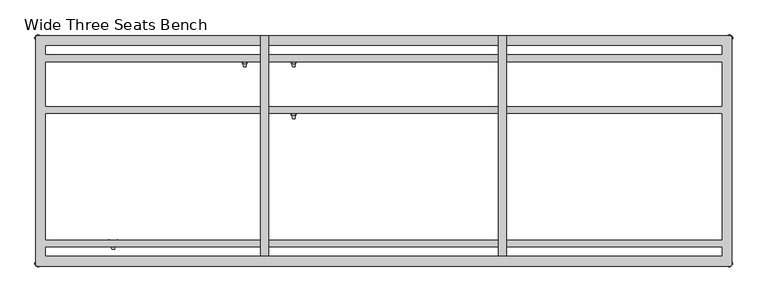
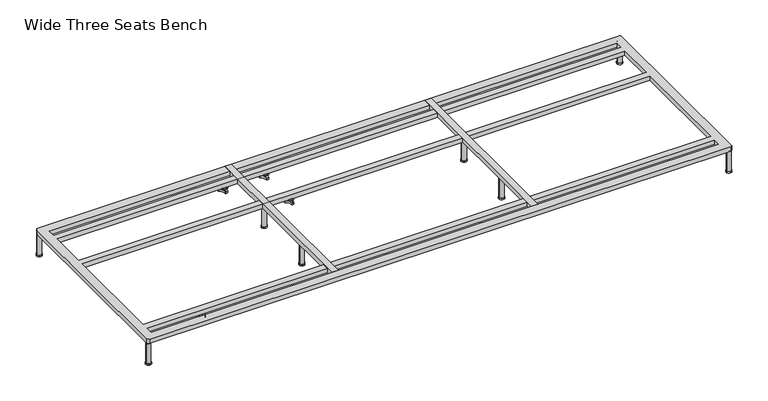
"""IFC4 building model written with IfcOpenShell, lengths in millimetres: furniture geometry, Wide Three Seats Bench."""

from ifc_helpers import new_model, si_unit, point, frame, frame_2d, origin, origin_with_axes, place, context, project, spatial, polyline, circle_curve, trimmed, segment, composite_curve, outline, extrude, source, transform, mapped, element, save
from ifc_brep_helpers import plane_surface, cylinder_surface, revolved_surface, advanced_brep


def wide_three_seats_bench_ba6f2c74(model_context):
    return source(origin(), model_context, "Body", "SolidModel", [
        advanced_brep(
        [(-519.7611937, -130.2721038, 98.611642), (-523.9837819, -137.585841, 98.611642), (-523.585833, -138.7518724, 98.611642), (-507.7665623, -166.1516574, 98.611642), (-506.9557288, -167.0792988, 98.611642), (-498.5105502, -167.0792988, 98.611642), (-497.706022, -165.9895174, 98.611642), (-481.6037689, -138.4877144, 98.611642), (-481.4824919, -137.5858427, 98.611642), (-485.7050818, -130.2721023, 98.611642), (-486.9138653, -130.0337175, 98.611642), (-518.5524137, -130.0337175, 98.611642), (-493.360263, -145.1926245, 98.611642), (-512.2652749, -145.1926245, 98.611642), (-519.7611937, -130.2721038, 88.6531552), (-518.5524137, -130.0337175, 88.6531552), (-486.9138653, -130.0337175, 88.6531552), (-485.7050818, -130.2721023, 88.6531552), (-481.4824919, -137.5858427, 88.6531552), (-481.6037689, -138.4877144, 88.6531552), (-497.706022, -165.9895174, 88.6531552), (-498.5105502, -167.0792988, 88.6531552), (-506.9557288, -167.0792988, 88.6531552), (-507.7665623, -166.1516574, 88.6531552), (-523.585833, -138.7518724, 88.6531552), (-523.9837819, -137.585841, 88.6531552), (-512.2652749, -145.1926245, 103.6569541), (-493.360263, -145.1926245, 103.6569541)],
        [
            (0, 1, circle_curve(frame((-501.5017056, -145.690049, 98.611642), z_axis=(0.0, 0.0, 1.0), x_axis=(1.0, 0.0, 0.0)), 23.8981576)),
            (1, 2, circle_curve(frame((-523.0562233, -137.920202, 98.611642), z_axis=(0.0, 0.0, 1.0), x_axis=(1.0, 0.0, 0.0)), 0.9859828)),
            (2, 3, circle_curve(frame((-541.981203, -167.6389644, 98.611642), z_axis=(0.0, 0.0, -1.0), x_axis=(1.0, 0.0, 0.0)), 34.246952)),
            (3, 4, circle_curve(frame((-506.7815189, -166.1088376, 98.611642), z_axis=(0.0, 0.0, 1.0), x_axis=(1.0, 0.0, 0.0)), 0.9859736)),
            (4, 5, circle_curve(frame((-502.7331395, -143.5567534, 98.611642), z_axis=(0.0, 0.0, 1.0), x_axis=(1.0, 0.0, 0.0)), 23.8985439)),
            (5, 6, circle_curve(frame((-498.6847621, -166.1088262, 98.611642), z_axis=(0.0, 0.0, 1.0), x_axis=(1.0, 0.0, 0.0)), 0.9859852)),
            (6, 7, circle_curve(frame((-463.4843483, -167.5614211, 98.611642), z_axis=(0.0, 0.0, -1.0), x_axis=(1.0, 0.0, 0.0)), 34.2577557)),
            (7, 8, circle_curve(frame((-482.4100533, -137.9202011, 98.611642), z_axis=(0.0, 0.0, 1.0), x_axis=(1.0, 0.0, 0.0)), 0.9859847)),
            (8, 9, circle_curve(frame((-503.9641822, -145.6898258, 98.611642), z_axis=(0.0, 0.0, 1.0), x_axis=(1.0, 0.0, 0.0)), 23.8977184)),
            (9, 10, circle_curve(frame((-486.4584281, -130.9082171, 98.611642), z_axis=(0.0, 0.0, 1.0), x_axis=(1.0, 0.0, 0.0)), 0.9859881)),
            (10, 11, circle_curve(frame((-502.7331395, -99.6586209, 98.611642), z_axis=(0.0, 0.0, -1.0), x_axis=(1.0, 0.0, 0.0)), 34.2475683)),
            (11, 0, circle_curve(frame((-519.0078488, -130.9082131, 98.611642), z_axis=(0.0, 0.0, 1.0), x_axis=(1.0, 0.0, 0.0)), 0.9859835)),
            (12, 13, circle_curve(frame((-502.8127689, -145.1926245, 98.611642), z_axis=(0.0, 0.0, -1.0), x_axis=(1.0, 0.0, 0.0)), 9.452506)),
            (13, 12, circle_curve(frame((-502.8127689, -145.1926245, 98.611642), z_axis=(0.0, 0.0, -1.0), x_axis=(1.0, 0.0, 0.0)), 9.452506)),
            (14, 15, circle_curve(frame((-519.0078488, -130.9082131, 88.6531552), z_axis=(0.0, 0.0, -1.0), x_axis=(1.0, 0.0, 0.0)), 0.9859835)),
            (15, 16, circle_curve(frame((-502.7331395, -99.6586209, 88.6531552), z_axis=(0.0, 0.0, 1.0), x_axis=(1.0, 0.0, 0.0)), 34.2475683)),
            (16, 17, circle_curve(frame((-486.4584281, -130.9082171, 88.6531552), z_axis=(0.0, 0.0, -1.0), x_axis=(1.0, 0.0, 0.0)), 0.9859881)),
            (17, 18, circle_curve(frame((-503.9641822, -145.6898258, 88.6531552), z_axis=(0.0, 0.0, -1.0), x_axis=(1.0, 0.0, 0.0)), 23.8977184)),
            (18, 19, circle_curve(frame((-482.4100533, -137.9202011, 88.6531552), z_axis=(0.0, 0.0, -1.0), x_axis=(1.0, 0.0, 0.0)), 0.9859847)),
            (19, 20, circle_curve(frame((-463.4843483, -167.5614211, 88.6531552), z_axis=(0.0, 0.0, 1.0), x_axis=(1.0, 0.0, 0.0)), 34.2577557)),
            (20, 21, circle_curve(frame((-498.6847621, -166.1088262, 88.6531552), z_axis=(0.0, 0.0, -1.0), x_axis=(1.0, 0.0, 0.0)), 0.9859852)),
            (21, 22, circle_curve(frame((-502.7331395, -143.5567534, 88.6531552), z_axis=(0.0, 0.0, -1.0), x_axis=(1.0, 0.0, 0.0)), 23.8985439)),
            (22, 23, circle_curve(frame((-506.7815189, -166.1088376, 88.6531552), z_axis=(0.0, 0.0, -1.0), x_axis=(1.0, 0.0, 0.0)), 0.9859736)),
            (23, 24, circle_curve(frame((-541.981203, -167.6389644, 88.6531552), z_axis=(0.0, 0.0, 1.0), x_axis=(1.0, 0.0, 0.0)), 34.246952)),
            (24, 25, circle_curve(frame((-523.0562233, -137.920202, 88.6531552), z_axis=(0.0, 0.0, -1.0), x_axis=(1.0, 0.0, 0.0)), 0.9859828)),
            (25, 14, circle_curve(frame((-501.5017056, -145.690049, 88.6531552), z_axis=(0.0, 0.0, -1.0), x_axis=(1.0, 0.0, 0.0)), 23.8981576)),
            (26, 27, circle_curve(frame((-502.8127689, -145.1926245, 103.6569541), z_axis=(0.0, 0.0, 1.0), x_axis=(1.0, 0.0, 0.0)), 9.452506)),
            (27, 26, circle_curve(frame((-502.8127689, -145.1926245, 103.6569541), z_axis=(0.0, 0.0, 1.0), x_axis=(1.0, 0.0, 0.0)), 9.452506)),
            (0, 14),
            (25, 1),
            (24, 2),
            (23, 3),
            (22, 4),
            (21, 5),
            (20, 6),
            (19, 7),
            (18, 8),
            (17, 9),
            (16, 10),
            (15, 11),
            (26, 13),
            (12, 27),
        ],
        [
            plane_surface(frame((-477.603548, -145.690049, 98.611642), z_axis=(0.0, 0.0, 1.0), x_axis=(0.0, 1.0, 0.0))),
            plane_surface(frame((-477.603548, -145.690049, 88.6531552), z_axis=(0.0, 0.0, -1.0), x_axis=(0.0, -1.0, 0.0))),
            plane_surface(frame((-493.360263, -145.1926245, 103.6569541), z_axis=(0.0, 0.0, 1.0), x_axis=(0.0, 1.0, 0.0))),
            cylinder_surface(frame((-501.5017056, -145.690049, 88.6531552), z_axis=(0.0, 0.0, 1.0), x_axis=(1.0, 0.0, 0.0)), 23.8981576),
            cylinder_surface(frame((-523.0562233, -137.920202, 88.6531552), z_axis=(0.0, 0.0, 1.0), x_axis=(1.0, 0.0, 0.0)), 0.9859828),
            revolved_surface(polyline([(-507.73425100000003, -167.6389644, 88.6531552), (-507.73425100000003, -167.6389644, 98.611642)]), (-541.981203, -167.6389644, 88.6531552), (0.0, 0.0, -1.0)),
            cylinder_surface(frame((-506.7815189, -166.1088376, 88.6531552), z_axis=(0.0, 0.0, 1.0), x_axis=(1.0, 0.0, 0.0)), 0.9859736),
            cylinder_surface(frame((-502.7331395, -143.5567534, 88.6531552), z_axis=(0.0, 0.0, 1.0), x_axis=(1.0, 0.0, 0.0)), 23.8985439),
            cylinder_surface(frame((-498.6847621, -166.1088262, 88.6531552), z_axis=(0.0, 0.0, 1.0), x_axis=(1.0, 0.0, 0.0)), 0.9859852),
            revolved_surface(polyline([(-429.2265926, -167.5614211, 88.6531552), (-429.2265926, -167.5614211, 98.611642)]), (-463.4843483, -167.5614211, 88.6531552), (0.0, 0.0, -1.0)),
            cylinder_surface(frame((-482.4100533, -137.9202011, 88.6531552), z_axis=(0.0, 0.0, 1.0), x_axis=(1.0, 0.0, 0.0)), 0.9859847),
            cylinder_surface(frame((-503.9641822, -145.6898258, 88.6531552), z_axis=(0.0, 0.0, 1.0), x_axis=(1.0, 0.0, 0.0)), 23.8977184),
            cylinder_surface(frame((-486.4584281, -130.9082171, 88.6531552), z_axis=(0.0, 0.0, 1.0), x_axis=(1.0, 0.0, 0.0)), 0.9859881),
            revolved_surface(polyline([(-468.4855712, -99.6586209, 88.6531552), (-468.4855712, -99.6586209, 98.611642)]), (-502.7331395, -99.6586209, 88.6531552), (0.0, 0.0, -1.0)),
            cylinder_surface(frame((-519.0078488, -130.9082131, 88.6531552), z_axis=(0.0, 0.0, 1.0), x_axis=(1.0, 0.0, 0.0)), 0.9859835),
            cylinder_surface(frame((-502.8127689, -145.1926245, 98.611642), z_axis=(0.0, 0.0, 1.0), x_axis=(1.0, 0.0, 0.0)), 9.452506),
        ],
        [
            (0, [[1, 2, 3, 4, 5, 6, 7, 8, 9, 10, 11, 12], [13, 14]]),
            (1, [[15, 16, 17, 18, 19, 20, 21, 22, 23, 24, 25, 26]]),
            (2, [[27, 28]]),
            (3, [[-1, 29, -26, 30]]),
            (4, [[-2, -30, -25, 31]]),
            (5, [[-3, -31, -24, 32]]),
            (6, [[-4, -32, -23, 33]]),
            (7, [[-5, -33, -22, 34]]),
            (8, [[-6, -34, -21, 35]]),
            (9, [[-7, -35, -20, 36]]),
            (10, [[-8, -36, -19, 37]]),
            (11, [[-9, -37, -18, 38]]),
            (12, [[-10, -38, -17, 39]]),
            (13, [[-11, -39, -16, 40]]),
            (14, [[-12, -40, -15, -29]]),
            (15, [[-27, 41, -13, 42]]),
            (15, [[-28, -42, -14, -41]]),
        ],
    ),
        advanced_brep(
        [(-519.7611937, 69.7278978, 98.611642), (-523.9837819, 62.4141605, 98.611642), (-523.585833, 61.2481292, 98.611642), (-507.7665623, 33.8483441, 98.611642), (-506.9557288, 32.9207027, 98.611642), (-498.5105502, 32.9207027, 98.611642), (-497.706022, 34.0104841, 98.611642), (-481.6037689, 61.5122871, 98.611642), (-481.4824919, 62.4141588, 98.611642), (-485.7050818, 69.7278992, 98.611642), (-486.9138653, 69.966284, 98.611642), (-518.5524137, 69.966284, 98.611642), (-493.360263, 54.807377, 98.611642), (-512.2652749, 54.807377, 98.611642), (-519.7611937, 69.7278978, 88.6531552), (-518.5524137, 69.966284, 88.6531552), (-486.9138653, 69.966284, 88.6531552), (-485.7050818, 69.7278992, 88.6531552), (-481.4824919, 62.4141588, 88.6531552), (-481.6037689, 61.5122871, 88.6531552), (-497.706022, 34.0104841, 88.6531552), (-498.5105502, 32.9207027, 88.6531552), (-506.9557288, 32.9207027, 88.6531552), (-507.7665623, 33.8483441, 88.6531552), (-523.585833, 61.2481292, 88.6531552), (-523.9837819, 62.4141605, 88.6531552), (-512.2652749, 54.807377, 103.6569541), (-493.360263, 54.807377, 103.6569541)],
        [
            (0, 1, circle_curve(frame((-501.5017056, 54.3099526, 98.611642), z_axis=(0.0, 0.0, 1.0), x_axis=(1.0, 0.0, 0.0)), 23.8981576)),
            (1, 2, circle_curve(frame((-523.0562233, 62.0797996, 98.611642), z_axis=(0.0, 0.0, 1.0), x_axis=(1.0, 0.0, 0.0)), 0.9859828)),
            (2, 3, circle_curve(frame((-541.981203, 32.3610372, 98.611642), z_axis=(0.0, 0.0, -1.0), x_axis=(1.0, 0.0, 0.0)), 34.246952)),
            (3, 4, circle_curve(frame((-506.7815189, 33.8911639, 98.611642), z_axis=(0.0, 0.0, 1.0), x_axis=(1.0, 0.0, 0.0)), 0.9859736)),
            (4, 5, circle_curve(frame((-502.7331395, 56.4432481, 98.611642), z_axis=(0.0, 0.0, 1.0), x_axis=(1.0, 0.0, 0.0)), 23.8985439)),
            (5, 6, circle_curve(frame((-498.6847621, 33.8911753, 98.611642), z_axis=(0.0, 0.0, 1.0), x_axis=(1.0, 0.0, 0.0)), 0.9859852)),
            (6, 7, circle_curve(frame((-463.4843483, 32.4385804, 98.611642), z_axis=(0.0, 0.0, -1.0), x_axis=(1.0, 0.0, 0.0)), 34.2577557)),
            (7, 8, circle_curve(frame((-482.4100533, 62.0798004, 98.611642), z_axis=(0.0, 0.0, 1.0), x_axis=(1.0, 0.0, 0.0)), 0.9859847)),
            (8, 9, circle_curve(frame((-503.9641822, 54.3101757, 98.611642), z_axis=(0.0, 0.0, 1.0), x_axis=(1.0, 0.0, 0.0)), 23.8977184)),
            (9, 10, circle_curve(frame((-486.4584281, 69.0917844, 98.611642), z_axis=(0.0, 0.0, 1.0), x_axis=(1.0, 0.0, 0.0)), 0.9859881)),
            (10, 11, circle_curve(frame((-502.7331395, 100.3413806, 98.611642), z_axis=(0.0, 0.0, -1.0), x_axis=(1.0, 0.0, 0.0)), 34.2475683)),
            (11, 0, circle_curve(frame((-519.0078488, 69.0917885, 98.611642), z_axis=(0.0, 0.0, 1.0), x_axis=(1.0, 0.0, 0.0)), 0.9859835)),
            (12, 13, circle_curve(frame((-502.8127689, 54.807377, 98.611642), z_axis=(0.0, 0.0, -1.0), x_axis=(1.0, 0.0, 0.0)), 9.452506)),
            (13, 12, circle_curve(frame((-502.8127689, 54.807377, 98.611642), z_axis=(0.0, 0.0, -1.0), x_axis=(1.0, 0.0, 0.0)), 9.452506)),
            (14, 15, circle_curve(frame((-519.0078488, 69.0917885, 88.6531552), z_axis=(0.0, 0.0, -1.0), x_axis=(1.0, 0.0, 0.0)), 0.9859835)),
            (15, 16, circle_curve(frame((-502.7331395, 100.3413806, 88.6531552), z_axis=(0.0, 0.0, 1.0), x_axis=(1.0, 0.0, 0.0)), 34.2475683)),
            (16, 17, circle_curve(frame((-486.4584281, 69.0917844, 88.6531552), z_axis=(0.0, 0.0, -1.0), x_axis=(1.0, 0.0, 0.0)), 0.9859881)),
            (17, 18, circle_curve(frame((-503.9641822, 54.3101757, 88.6531552), z_axis=(0.0, 0.0, -1.0), x_axis=(1.0, 0.0, 0.0)), 23.8977184)),
            (18, 19, circle_curve(frame((-482.4100533, 62.0798004, 88.6531552), z_axis=(0.0, 0.0, -1.0), x_axis=(1.0, 0.0, 0.0)), 0.9859847)),
            (19, 20, circle_curve(frame((-463.4843483, 32.4385804, 88.6531552), z_axis=(0.0, 0.0, 1.0), x_axis=(1.0, 0.0, 0.0)), 34.2577557)),
            (20, 21, circle_curve(frame((-498.6847621, 33.8911753, 88.6531552), z_axis=(0.0, 0.0, -1.0), x_axis=(1.0, 0.0, 0.0)), 0.9859852)),
            (21, 22, circle_curve(frame((-502.7331395, 56.4432481, 88.6531552), z_axis=(0.0, 0.0, -1.0), x_axis=(1.0, 0.0, 0.0)), 23.8985439)),
            (22, 23, circle_curve(frame((-506.7815189, 33.8911639, 88.6531552), z_axis=(0.0, 0.0, -1.0), x_axis=(1.0, 0.0, 0.0)), 0.9859736)),
            (23, 24, circle_curve(frame((-541.981203, 32.3610372, 88.6531552), z_axis=(0.0, 0.0, 1.0), x_axis=(1.0, 0.0, 0.0)), 34.246952)),
            (24, 25, circle_curve(frame((-523.0562233, 62.0797996, 88.6531552), z_axis=(0.0, 0.0, -1.0), x_axis=(1.0, 0.0, 0.0)), 0.9859828)),
            (25, 14, circle_curve(frame((-501.5017056, 54.3099526, 88.6531552), z_axis=(0.0, 0.0, -1.0), x_axis=(1.0, 0.0, 0.0)), 23.8981576)),
            (26, 27, circle_curve(frame((-502.8127689, 54.807377, 103.6569541), z_axis=(0.0, 0.0, 1.0), x_axis=(1.0, 0.0, 0.0)), 9.452506)),
            (27, 26, circle_curve(frame((-502.8127689, 54.807377, 103.6569541), z_axis=(0.0, 0.0, 1.0), x_axis=(1.0, 0.0, 0.0)), 9.452506)),
            (0, 14),
            (25, 1),
            (24, 2),
            (23, 3),
            (22, 4),
            (21, 5),
            (20, 6),
            (19, 7),
            (18, 8),
            (17, 9),
            (16, 10),
            (15, 11),
            (26, 13),
            (12, 27),
        ],
        [
            plane_surface(frame((-477.603548, 54.3099526, 98.611642), z_axis=(0.0, 0.0, 1.0), x_axis=(0.0, 1.0, 0.0))),
            plane_surface(frame((-477.603548, 54.3099526, 88.6531552), z_axis=(0.0, 0.0, -1.0), x_axis=(0.0, -1.0, 0.0))),
            plane_surface(frame((-493.360263, 54.807377, 103.6569541), z_axis=(0.0, 0.0, 1.0), x_axis=(0.0, 1.0, 0.0))),
            cylinder_surface(frame((-501.5017056, 54.3099526, 88.6531552), z_axis=(0.0, 0.0, 1.0), x_axis=(1.0, 0.0, 0.0)), 23.8981576),
            cylinder_surface(frame((-523.0562233, 62.0797996, 88.6531552), z_axis=(0.0, 0.0, 1.0), x_axis=(1.0, 0.0, 0.0)), 0.9859828),
            revolved_surface(polyline([(-507.73425100000003, 32.3610372, 88.6531552), (-507.73425100000003, 32.3610372, 98.611642)]), (-541.981203, 32.3610372, 88.6531552), (0.0, 0.0, -1.0)),
            cylinder_surface(frame((-506.7815189, 33.8911639, 88.6531552), z_axis=(0.0, 0.0, 1.0), x_axis=(1.0, 0.0, 0.0)), 0.9859736),
            cylinder_surface(frame((-502.7331395, 56.4432481, 88.6531552), z_axis=(0.0, 0.0, 1.0), x_axis=(1.0, 0.0, 0.0)), 23.8985439),
            cylinder_surface(frame((-498.6847621, 33.8911753, 88.6531552), z_axis=(0.0, 0.0, 1.0), x_axis=(1.0, 0.0, 0.0)), 0.9859852),
            revolved_surface(polyline([(-429.2265926, 32.4385804, 88.6531552), (-429.2265926, 32.4385804, 98.611642)]), (-463.4843483, 32.4385804, 88.6531552), (0.0, 0.0, -1.0)),
            cylinder_surface(frame((-482.4100533, 62.0798004, 88.6531552), z_axis=(0.0, 0.0, 1.0), x_axis=(1.0, 0.0, 0.0)), 0.9859847),
            cylinder_surface(frame((-503.9641822, 54.3101757, 88.6531552), z_axis=(0.0, 0.0, 1.0), x_axis=(1.0, 0.0, 0.0)), 23.8977184),
            cylinder_surface(frame((-486.4584281, 69.0917844, 88.6531552), z_axis=(0.0, 0.0, 1.0), x_axis=(1.0, 0.0, 0.0)), 0.9859881),
            revolved_surface(polyline([(-468.4855712, 100.3413806, 88.6531552), (-468.4855712, 100.3413806, 98.611642)]), (-502.7331395, 100.3413806, 88.6531552), (0.0, 0.0, -1.0)),
            cylinder_surface(frame((-519.0078488, 69.0917885, 88.6531552), z_axis=(0.0, 0.0, 1.0), x_axis=(1.0, 0.0, 0.0)), 0.9859835),
            cylinder_surface(frame((-502.8127689, 54.807377, 98.611642), z_axis=(0.0, 0.0, 1.0), x_axis=(1.0, 0.0, 0.0)), 9.452506),
        ],
        [
            (0, [[1, 2, 3, 4, 5, 6, 7, 8, 9, 10, 11, 12], [13, 14]]),
            (1, [[15, 16, 17, 18, 19, 20, 21, 22, 23, 24, 25, 26]]),
            (2, [[27, 28]]),
            (3, [[-1, 29, -26, 30]]),
            (4, [[-2, -30, -25, 31]]),
            (5, [[-3, -31, -24, 32]]),
            (6, [[-4, -32, -23, 33]]),
            (7, [[-5, -33, -22, 34]]),
            (8, [[-6, -34, -21, 35]]),
            (9, [[-7, -35, -20, 36]]),
            (10, [[-8, -36, -19, 37]]),
            (11, [[-9, -37, -18, 38]]),
            (12, [[-10, -38, -17, 39]]),
            (13, [[-11, -39, -16, 40]]),
            (14, [[-12, -40, -15, -29]]),
            (15, [[-27, 41, -13, 42]]),
            (15, [[-28, -42, -14, -41]]),
        ],
    ),
        advanced_brep(
        [(-708.6567178, 69.7278978, 98.611642), (-712.879306, 62.4141605, 98.611642), (-712.4813572, 61.2481292, 98.611642), (-696.6620864, 33.8483441, 98.611642), (-695.8512529, 32.9207027, 98.611642), (-687.4060744, 32.9207027, 98.611642), (-686.6015461, 34.0104841, 98.611642), (-670.4992931, 61.5122871, 98.611642), (-670.378016, 62.4141588, 98.611642), (-674.600606, 69.7278992, 98.611642), (-675.8093894, 69.966284, 98.611642), (-707.4479379, 69.966284, 98.611642), (-682.2557871, 54.807377, 98.611642), (-701.160799, 54.807377, 98.611642), (-708.6567178, 69.7278978, 88.6531552), (-707.4479379, 69.966284, 88.6531552), (-675.8093894, 69.966284, 88.6531552), (-674.600606, 69.7278992, 88.6531552), (-670.378016, 62.4141588, 88.6531552), (-670.4992931, 61.5122871, 88.6531552), (-686.6015461, 34.0104841, 88.6531552), (-687.4060744, 32.9207027, 88.6531552), (-695.8512529, 32.9207027, 88.6531552), (-696.6620864, 33.8483441, 88.6531552), (-712.4813572, 61.2481292, 88.6531552), (-712.879306, 62.4141605, 88.6531552), (-701.160799, 54.807377, 103.6569541), (-682.2557871, 54.807377, 103.6569541)],
        [
            (0, 1, circle_curve(frame((-690.3972298, 54.3099526, 98.611642), z_axis=(0.0, 0.0, 1.0), x_axis=(1.0, 0.0, 0.0)), 23.8981576)),
            (1, 2, circle_curve(frame((-711.9517474, 62.0797996, 98.611642), z_axis=(0.0, 0.0, 1.0), x_axis=(1.0, 0.0, 0.0)), 0.9859828)),
            (2, 3, circle_curve(frame((-730.8767271, 32.3610372, 98.611642), z_axis=(0.0, 0.0, -1.0), x_axis=(1.0, 0.0, 0.0)), 34.246952)),
            (3, 4, circle_curve(frame((-695.6770431, 33.8911639, 98.611642), z_axis=(0.0, 0.0, 1.0), x_axis=(1.0, 0.0, 0.0)), 0.9859736)),
            (4, 5, circle_curve(frame((-691.6286636, 56.4432481, 98.611642), z_axis=(0.0, 0.0, 1.0), x_axis=(1.0, 0.0, 0.0)), 23.8985439)),
            (5, 6, circle_curve(frame((-687.5802862, 33.8911753, 98.611642), z_axis=(0.0, 0.0, 1.0), x_axis=(1.0, 0.0, 0.0)), 0.9859852)),
            (6, 7, circle_curve(frame((-652.3798725, 32.4385804, 98.611642), z_axis=(0.0, 0.0, -1.0), x_axis=(1.0, 0.0, 0.0)), 34.2577557)),
            (7, 8, circle_curve(frame((-671.3055775, 62.0798004, 98.611642), z_axis=(0.0, 0.0, 1.0), x_axis=(1.0, 0.0, 0.0)), 0.9859847)),
            (8, 9, circle_curve(frame((-692.8597064, 54.3101757, 98.611642), z_axis=(0.0, 0.0, 1.0), x_axis=(1.0, 0.0, 0.0)), 23.8977184)),
            (9, 10, circle_curve(frame((-675.3539522, 69.0917844, 98.611642), z_axis=(0.0, 0.0, 1.0), x_axis=(1.0, 0.0, 0.0)), 0.9859881)),
            (10, 11, circle_curve(frame((-691.6286636, 100.3413806, 98.611642), z_axis=(0.0, 0.0, -1.0), x_axis=(1.0, 0.0, 0.0)), 34.2475683)),
            (11, 0, circle_curve(frame((-707.9033729, 69.0917885, 98.611642), z_axis=(0.0, 0.0, 1.0), x_axis=(1.0, 0.0, 0.0)), 0.9859835)),
            (12, 13, circle_curve(frame((-691.7082931, 54.807377, 98.611642), z_axis=(0.0, 0.0, -1.0), x_axis=(1.0, 0.0, 0.0)), 9.452506)),
            (13, 12, circle_curve(frame((-691.7082931, 54.807377, 98.611642), z_axis=(0.0, 0.0, -1.0), x_axis=(1.0, 0.0, 0.0)), 9.452506)),
            (14, 15, circle_curve(frame((-707.9033729, 69.0917885, 88.6531552), z_axis=(0.0, 0.0, -1.0), x_axis=(1.0, 0.0, 0.0)), 0.9859835)),
            (15, 16, circle_curve(frame((-691.6286636, 100.3413806, 88.6531552), z_axis=(0.0, 0.0, 1.0), x_axis=(1.0, 0.0, 0.0)), 34.2475683)),
            (16, 17, circle_curve(frame((-675.3539522, 69.0917844, 88.6531552), z_axis=(0.0, 0.0, -1.0), x_axis=(1.0, 0.0, 0.0)), 0.9859881)),
            (17, 18, circle_curve(frame((-692.8597064, 54.3101757, 88.6531552), z_axis=(0.0, 0.0, -1.0), x_axis=(1.0, 0.0, 0.0)), 23.8977184)),
            (18, 19, circle_curve(frame((-671.3055775, 62.0798004, 88.6531552), z_axis=(0.0, 0.0, -1.0), x_axis=(1.0, 0.0, 0.0)), 0.9859847)),
            (19, 20, circle_curve(frame((-652.3798725, 32.4385804, 88.6531552), z_axis=(0.0, 0.0, 1.0), x_axis=(1.0, 0.0, 0.0)), 34.2577557)),
            (20, 21, circle_curve(frame((-687.5802862, 33.8911753, 88.6531552), z_axis=(0.0, 0.0, -1.0), x_axis=(1.0, 0.0, 0.0)), 0.9859852)),
            (21, 22, circle_curve(frame((-691.6286636, 56.4432481, 88.6531552), z_axis=(0.0, 0.0, -1.0), x_axis=(1.0, 0.0, 0.0)), 23.8985439)),
            (22, 23, circle_curve(frame((-695.6770431, 33.8911639, 88.6531552), z_axis=(0.0, 0.0, -1.0), x_axis=(1.0, 0.0, 0.0)), 0.9859736)),
            (23, 24, circle_curve(frame((-730.8767271, 32.3610372, 88.6531552), z_axis=(0.0, 0.0, 1.0), x_axis=(1.0, 0.0, 0.0)), 34.246952)),
            (24, 25, circle_curve(frame((-711.9517474, 62.0797996, 88.6531552), z_axis=(0.0, 0.0, -1.0), x_axis=(1.0, 0.0, 0.0)), 0.9859828)),
            (25, 14, circle_curve(frame((-690.3972298, 54.3099526, 88.6531552), z_axis=(0.0, 0.0, -1.0), x_axis=(1.0, 0.0, 0.0)), 23.8981576)),
            (26, 27, circle_curve(frame((-691.7082931, 54.807377, 103.6569541), z_axis=(0.0, 0.0, 1.0), x_axis=(1.0, 0.0, 0.0)), 9.452506)),
            (27, 26, circle_curve(frame((-691.7082931, 54.807377, 103.6569541), z_axis=(0.0, 0.0, 1.0), x_axis=(1.0, 0.0, 0.0)), 9.452506)),
            (0, 14),
            (25, 1),
            (24, 2),
            (23, 3),
            (22, 4),
            (21, 5),
            (20, 6),
            (19, 7),
            (18, 8),
            (17, 9),
            (16, 10),
            (15, 11),
            (26, 13),
            (12, 27),
        ],
        [
            plane_surface(frame((-666.4990722, 54.3099526, 98.611642), z_axis=(0.0, 0.0, 1.0), x_axis=(0.0, 1.0, 0.0))),
            plane_surface(frame((-666.4990722, 54.3099526, 88.6531552), z_axis=(0.0, 0.0, -1.0), x_axis=(0.0, -1.0, 0.0))),
            plane_surface(frame((-682.2557871, 54.807377, 103.6569541), z_axis=(0.0, 0.0, 1.0), x_axis=(0.0, 1.0, 0.0))),
            cylinder_surface(frame((-690.3972298, 54.3099526, 88.6531552), z_axis=(0.0, 0.0, 1.0), x_axis=(1.0, 0.0, 0.0)), 23.8981576),
            cylinder_surface(frame((-711.9517474, 62.0797996, 88.6531552), z_axis=(0.0, 0.0, 1.0), x_axis=(1.0, 0.0, 0.0)), 0.9859828),
            revolved_surface(polyline([(-696.6297751000001, 32.3610372, 88.6531552), (-696.6297751000001, 32.3610372, 98.611642)]), (-730.8767271, 32.3610372, 88.6531552), (0.0, 0.0, -1.0)),
            cylinder_surface(frame((-695.6770431, 33.8911639, 88.6531552), z_axis=(0.0, 0.0, 1.0), x_axis=(1.0, 0.0, 0.0)), 0.9859736),
            cylinder_surface(frame((-691.6286636, 56.4432481, 88.6531552), z_axis=(0.0, 0.0, 1.0), x_axis=(1.0, 0.0, 0.0)), 23.8985439),
            cylinder_surface(frame((-687.5802862, 33.8911753, 88.6531552), z_axis=(0.0, 0.0, 1.0), x_axis=(1.0, 0.0, 0.0)), 0.9859852),
            revolved_surface(polyline([(-618.1221168000001, 32.4385804, 88.6531552), (-618.1221168000001, 32.4385804, 98.611642)]), (-652.3798725, 32.4385804, 88.6531552), (0.0, 0.0, -1.0)),
            cylinder_surface(frame((-671.3055775, 62.0798004, 88.6531552), z_axis=(0.0, 0.0, 1.0), x_axis=(1.0, 0.0, 0.0)), 0.9859847),
            cylinder_surface(frame((-692.8597064, 54.3101757, 88.6531552), z_axis=(0.0, 0.0, 1.0), x_axis=(1.0, 0.0, 0.0)), 23.8977184),
            cylinder_surface(frame((-675.3539522, 69.0917844, 88.6531552), z_axis=(0.0, 0.0, 1.0), x_axis=(1.0, 0.0, 0.0)), 0.9859881),
            revolved_surface(polyline([(-657.3810953, 100.3413806, 88.6531552), (-657.3810953, 100.3413806, 98.611642)]), (-691.6286636, 100.3413806, 88.6531552), (0.0, 0.0, -1.0)),
            cylinder_surface(frame((-707.9033729, 69.0917885, 88.6531552), z_axis=(0.0, 0.0, 1.0), x_axis=(1.0, 0.0, 0.0)), 0.9859835),
            cylinder_surface(frame((-691.7082931, 54.807377, 98.611642), z_axis=(0.0, 0.0, 1.0), x_axis=(1.0, 0.0, 0.0)), 9.452506),
        ],
        [
            (0, [[1, 2, 3, 4, 5, 6, 7, 8, 9, 10, 11, 12], [13, 14]]),
            (1, [[15, 16, 17, 18, 19, 20, 21, 22, 23, 24, 25, 26]]),
            (2, [[27, 28]]),
            (3, [[-1, 29, -26, 30]]),
            (4, [[-2, -30, -25, 31]]),
            (5, [[-3, -31, -24, 32]]),
            (6, [[-4, -32, -23, 33]]),
            (7, [[-5, -33, -22, 34]]),
            (8, [[-6, -34, -21, 35]]),
            (9, [[-7, -35, -20, 36]]),
            (10, [[-8, -36, -19, 37]]),
            (11, [[-9, -37, -18, 38]]),
            (12, [[-10, -38, -17, 39]]),
            (13, [[-11, -39, -16, 40]]),
            (14, [[-12, -40, -15, -29]]),
            (15, [[-27, 41, -13, 42]]),
            (15, [[-28, -42, -14, -41]]),
        ],
    ),
        advanced_brep(
        [(-1216.6567178, -633.9963447, 98.6365961), (-1220.879306, -641.3100819, 98.6365961), (-1220.4813572, -642.4761133, 98.6365961), (-1204.6620864, -669.8758983, 98.6365961), (-1203.8512529, -670.8035397, 98.6365961), (-1195.4060744, -670.8035397, 98.6365961), (-1194.6015461, -669.7137583, 98.6365961), (-1178.4992931, -642.2119553, 98.6365961), (-1178.378016, -641.3100836, 98.6365961), (-1182.600606, -633.9963432, 98.6365961), (-1183.8093894, -633.7579584, 98.6365961), (-1215.4479379, -633.7579584, 98.6365961), (-1190.2557871, -648.9168654, 98.6365961), (-1209.160799, -648.9168654, 98.6365961), (-1216.6567178, -633.9963447, 88.6781094), (-1215.4479379, -633.7579584, 88.6781094), (-1183.8093894, -633.7579584, 88.6781094), (-1182.600606, -633.9963432, 88.6781094), (-1178.378016, -641.3100836, 88.6781094), (-1178.4992931, -642.2119553, 88.6781094), (-1194.6015461, -669.7137583, 88.6781094), (-1195.4060744, -670.8035397, 88.6781094), (-1203.8512529, -670.8035397, 88.6781094), (-1204.6620864, -669.8758983, 88.6781094), (-1220.4813572, -642.4761133, 88.6781094), (-1220.879306, -641.3100819, 88.6781094), (-1209.160799, -648.9168654, 103.6819083), (-1190.2557871, -648.9168654, 103.6819083)],
        [
            (0, 1, circle_curve(frame((-1198.3972298, -649.4142898, 98.6365961), z_axis=(0.0, 0.0, 1.0), x_axis=(1.0, 0.0, 0.0)), 23.8981576)),
            (1, 2, circle_curve(frame((-1219.9517474, -641.6444428, 98.6365961), z_axis=(0.0, 0.0, 1.0), x_axis=(1.0, 0.0, 0.0)), 0.9859828)),
            (2, 3, circle_curve(frame((-1238.8767271, -671.3632053, 98.6365961), z_axis=(0.0, 0.0, -1.0), x_axis=(1.0, 0.0, 0.0)), 34.246952)),
            (3, 4, circle_curve(frame((-1203.6770431, -669.8330785, 98.6365961), z_axis=(0.0, 0.0, 1.0), x_axis=(1.0, 0.0, 0.0)), 0.9859736)),
            (4, 5, circle_curve(frame((-1199.6286636, -647.2809943, 98.6365961), z_axis=(0.0, 0.0, 1.0), x_axis=(1.0, 0.0, 0.0)), 23.8985439)),
            (5, 6, circle_curve(frame((-1195.5802862, -669.8330671, 98.6365961), z_axis=(0.0, 0.0, 1.0), x_axis=(1.0, 0.0, 0.0)), 0.9859852)),
            (6, 7, circle_curve(frame((-1160.3798725, -671.285662, 98.6365961), z_axis=(0.0, 0.0, -1.0), x_axis=(1.0, 0.0, 0.0)), 34.2577557)),
            (7, 8, circle_curve(frame((-1179.3055775, -641.644442, 98.6365961), z_axis=(0.0, 0.0, 1.0), x_axis=(1.0, 0.0, 0.0)), 0.9859847)),
            (8, 9, circle_curve(frame((-1200.8597064, -649.4140667, 98.6365961), z_axis=(0.0, 0.0, 1.0), x_axis=(1.0, 0.0, 0.0)), 23.8977184)),
            (9, 10, circle_curve(frame((-1183.3539522, -634.632458, 98.6365961), z_axis=(0.0, 0.0, 1.0), x_axis=(1.0, 0.0, 0.0)), 0.9859881)),
            (10, 11, circle_curve(frame((-1199.6286636, -603.3828618, 98.6365961), z_axis=(0.0, 0.0, -1.0), x_axis=(1.0, 0.0, 0.0)), 34.2475683)),
            (11, 0, circle_curve(frame((-1215.9033729, -634.632454, 98.6365961), z_axis=(0.0, 0.0, 1.0), x_axis=(1.0, 0.0, 0.0)), 0.9859835)),
            (12, 13, circle_curve(frame((-1199.7082931, -648.9168654, 98.6365961), z_axis=(0.0, 0.0, -1.0), x_axis=(1.0, 0.0, 0.0)), 9.452506)),
            (13, 12, circle_curve(frame((-1199.7082931, -648.9168654, 98.6365961), z_axis=(0.0, 0.0, -1.0), x_axis=(1.0, 0.0, 0.0)), 9.452506)),
            (14, 15, circle_curve(frame((-1215.9033729, -634.632454, 88.6781094), z_axis=(0.0, 0.0, -1.0), x_axis=(1.0, 0.0, 0.0)), 0.9859835)),
            (15, 16, circle_curve(frame((-1199.6286636, -603.3828618, 88.6781094), z_axis=(0.0, 0.0, 1.0), x_axis=(1.0, 0.0, 0.0)), 34.2475683)),
            (16, 17, circle_curve(frame((-1183.3539522, -634.632458, 88.6781094), z_axis=(0.0, 0.0, -1.0), x_axis=(1.0, 0.0, 0.0)), 0.9859881)),
            (17, 18, circle_curve(frame((-1200.8597064, -649.4140667, 88.6781094), z_axis=(0.0, 0.0, -1.0), x_axis=(1.0, 0.0, 0.0)), 23.8977184)),
            (18, 19, circle_curve(frame((-1179.3055775, -641.644442, 88.6781094), z_axis=(0.0, 0.0, -1.0), x_axis=(1.0, 0.0, 0.0)), 0.9859847)),
            (19, 20, circle_curve(frame((-1160.3798725, -671.285662, 88.6781094), z_axis=(0.0, 0.0, 1.0), x_axis=(1.0, 0.0, 0.0)), 34.2577557)),
            (20, 21, circle_curve(frame((-1195.5802862, -669.8330671, 88.6781094), z_axis=(0.0, 0.0, -1.0), x_axis=(1.0, 0.0, 0.0)), 0.9859852)),
            (21, 22, circle_curve(frame((-1199.6286636, -647.2809943, 88.6781094), z_axis=(0.0, 0.0, -1.0), x_axis=(1.0, 0.0, 0.0)), 23.8985439)),
            (22, 23, circle_curve(frame((-1203.6770431, -669.8330785, 88.6781094), z_axis=(0.0, 0.0, -1.0), x_axis=(1.0, 0.0, 0.0)), 0.9859736)),
            (23, 24, circle_curve(frame((-1238.8767271, -671.3632053, 88.6781094), z_axis=(0.0, 0.0, 1.0), x_axis=(1.0, 0.0, 0.0)), 34.246952)),
            (24, 25, circle_curve(frame((-1219.9517474, -641.6444428, 88.6781094), z_axis=(0.0, 0.0, -1.0), x_axis=(1.0, 0.0, 0.0)), 0.9859828)),
            (25, 14, circle_curve(frame((-1198.3972298, -649.4142898, 88.6781094), z_axis=(0.0, 0.0, -1.0), x_axis=(1.0, 0.0, 0.0)), 23.8981576)),
            (26, 27, circle_curve(frame((-1199.7082931, -648.9168654, 103.6819083), z_axis=(0.0, 0.0, 1.0), x_axis=(1.0, 0.0, 0.0)), 9.452506)),
            (27, 26, circle_curve(frame((-1199.7082931, -648.9168654, 103.6819083), z_axis=(0.0, 0.0, 1.0), x_axis=(1.0, 0.0, 0.0)), 9.452506)),
            (0, 14),
            (25, 1),
            (24, 2),
            (23, 3),
            (22, 4),
            (21, 5),
            (20, 6),
            (19, 7),
            (18, 8),
            (17, 9),
            (16, 10),
            (15, 11),
            (26, 13),
            (12, 27),
        ],
        [
            plane_surface(frame((-1174.4990722, -649.4142898, 98.6365961), z_axis=(0.0, 0.0, 1.0), x_axis=(0.0, 1.0, 0.0))),
            plane_surface(frame((-1174.4990722, -649.4142898, 88.6781094), z_axis=(0.0, 0.0, -1.0), x_axis=(0.0, -1.0, 0.0))),
            plane_surface(frame((-1190.2557871, -648.9168654, 103.6819083), z_axis=(0.0, 0.0, 1.0), x_axis=(0.0, 1.0, 0.0))),
            cylinder_surface(frame((-1198.3972298, -649.4142898, 88.6781094), z_axis=(0.0, 0.0, 1.0), x_axis=(1.0, 0.0, 0.0)), 23.8981576),
            cylinder_surface(frame((-1219.9517474, -641.6444428, 88.6781094), z_axis=(0.0, 0.0, 1.0), x_axis=(1.0, 0.0, 0.0)), 0.9859828),
            revolved_surface(polyline([(-1204.6297751, -671.3632053, 88.6781094), (-1204.6297751, -671.3632053, 98.6365961)]), (-1238.8767271, -671.3632053, 88.6781094), (0.0, 0.0, -1.0)),
            cylinder_surface(frame((-1203.6770431, -669.8330785, 88.6781094), z_axis=(0.0, 0.0, 1.0), x_axis=(1.0, 0.0, 0.0)), 0.9859736),
            cylinder_surface(frame((-1199.6286636, -647.2809943, 88.6781094), z_axis=(0.0, 0.0, 1.0), x_axis=(1.0, 0.0, 0.0)), 23.8985439),
            cylinder_surface(frame((-1195.5802862, -669.8330671, 88.6781094), z_axis=(0.0, 0.0, 1.0), x_axis=(1.0, 0.0, 0.0)), 0.9859852),
            revolved_surface(polyline([(-1126.1221168, -671.285662, 88.6781094), (-1126.1221168, -671.285662, 98.6365961)]), (-1160.3798725, -671.285662, 88.6781094), (0.0, 0.0, -1.0)),
            cylinder_surface(frame((-1179.3055775, -641.644442, 88.6781094), z_axis=(0.0, 0.0, 1.0), x_axis=(1.0, 0.0, 0.0)), 0.9859847),
            cylinder_surface(frame((-1200.8597064, -649.4140667, 88.6781094), z_axis=(0.0, 0.0, 1.0), x_axis=(1.0, 0.0, 0.0)), 23.8977184),
            cylinder_surface(frame((-1183.3539522, -634.632458, 88.6781094), z_axis=(0.0, 0.0, 1.0), x_axis=(1.0, 0.0, 0.0)), 0.9859881),
            revolved_surface(polyline([(-1165.3810953, -603.3828618, 88.6781094), (-1165.3810953, -603.3828618, 98.6365961)]), (-1199.6286636, -603.3828618, 88.6781094), (0.0, 0.0, -1.0)),
            cylinder_surface(frame((-1215.9033729, -634.632454, 88.6781094), z_axis=(0.0, 0.0, 1.0), x_axis=(1.0, 0.0, 0.0)), 0.9859835),
            cylinder_surface(frame((-1199.7082931, -648.9168654, 98.6365961), z_axis=(0.0, 0.0, 1.0), x_axis=(1.0, 0.0, 0.0)), 9.452506),
        ],
        [
            (0, [[1, 2, 3, 4, 5, 6, 7, 8, 9, 10, 11, 12], [13, 14]]),
            (1, [[15, 16, 17, 18, 19, 20, 21, 22, 23, 24, 25, 26]]),
            (2, [[27, 28]]),
            (3, [[-1, 29, -26, 30]]),
            (4, [[-2, -30, -25, 31]]),
            (5, [[-3, -31, -24, 32]]),
            (6, [[-4, -32, -23, 33]]),
            (7, [[-5, -33, -22, 34]]),
            (8, [[-6, -34, -21, 35]]),
            (9, [[-7, -35, -20, 36]]),
            (10, [[-8, -36, -19, 37]]),
            (11, [[-9, -37, -18, 38]]),
            (12, [[-10, -38, -17, 39]]),
            (13, [[-11, -39, -16, 40]]),
            (14, [[-12, -40, -15, -29]]),
            (15, [[-27, 41, -13, 42]]),
            (15, [[-28, -42, -14, -41]]),
        ],
    ),
        extrude(outline(composite_curve([segment(trimmed(circle_curve(frame_2d((-614.9452447, -433.7002937)), 12.5000005), [point((-627.4452452, -433.7002937))], [point((-602.4452442, -433.7002937))], False, "CARTESIAN"), True, "CONTINUOUS"), segment(trimmed(circle_curve(frame_2d((-614.9452447, -433.7002937)), 12.5000005), [point((-602.4452442, -433.7002937))], [point((-627.4452452, -433.7002937))], False, "CARTESIAN"), True, "CONTINUOUS")], self_intersect=False)), origin_with_axes(), (0.0, 0.0, 1.0), 6.0),
        extrude(outline(composite_curve([segment(trimmed(circle_curve(frame_2d((-614.9452447, -133.6667163)), 12.5000005), [point((-627.4452452, -133.6667163))], [point((-602.4452442, -133.6667163))], False, "CARTESIAN"), True, "CONTINUOUS"), segment(trimmed(circle_curve(frame_2d((-614.9452447, -133.6667163)), 12.5000005), [point((-602.4452442, -133.6667163))], [point((-627.4452452, -133.6667163))], False, "CARTESIAN"), True, "CONTINUOUS")], self_intersect=False)), origin_with_axes(), (0.0, 0.0, 1.0), 6.0),
        extrude(outline(composite_curve([segment(trimmed(circle_curve(frame_2d((303.9591511, -133.6667163)), 12.5000005), [point((291.4591506, -133.6667163))], [point((316.4591516, -133.6667163))], False, "CARTESIAN"), True, "CONTINUOUS"), segment(trimmed(circle_curve(frame_2d((303.9591511, -133.6667163)), 12.5000005), [point((316.4591516, -133.6667163))], [point((291.4591506, -133.6667163))], False, "CARTESIAN"), True, "CONTINUOUS")], self_intersect=False)), origin_with_axes(), (0.0, 0.0, 1.0), 6.0),
        extrude(outline(composite_curve([segment(trimmed(circle_curve(frame_2d((303.9591511, -433.7002937)), 12.5000005), [point((291.4591506, -433.7002937))], [point((316.4591516, -433.7002937))], False, "CARTESIAN"), True, "CONTINUOUS"), segment(trimmed(circle_curve(frame_2d((303.9591511, -433.7002937)), 12.5000005), [point((316.4591516, -433.7002937))], [point((291.4591506, -433.7002937))], False, "CARTESIAN"), True, "CONTINUOUS")], self_intersect=False)), origin_with_axes(), (0.0, 0.0, 1.0), 6.0),
        extrude(outline(composite_curve([segment(trimmed(circle_curve(frame_2d((-614.9452447, -433.7002937)), 10.4664203), [point((-625.411665, -433.7002937))], [point((-604.4788243, -433.7002937))], False, "CARTESIAN"), True, "CONTINUOUS"), segment(trimmed(circle_curve(frame_2d((-614.9452447, -433.7002937)), 10.4664203), [point((-604.4788243, -433.7002937))], [point((-625.411665, -433.7002937))], False, "CARTESIAN"), True, "CONTINUOUS")], self_intersect=False)), origin_with_axes(), (0.0, 0.0, 1.0), 103.6569541),
        extrude(outline(composite_curve([segment(trimmed(circle_curve(frame_2d((-614.9452447, -133.6667163)), 10.4664203), [point((-625.411665, -133.6667163))], [point((-604.4788243, -133.6667163))], False, "CARTESIAN"), True, "CONTINUOUS"), segment(trimmed(circle_curve(frame_2d((-614.9452447, -133.6667163)), 10.4664203), [point((-604.4788243, -133.6667163))], [point((-625.411665, -133.6667163))], False, "CARTESIAN"), True, "CONTINUOUS")], self_intersect=False)), origin_with_axes(), (0.0, 0.0, 1.0), 103.6569541),
        extrude(outline(composite_curve([segment(trimmed(circle_curve(frame_2d((303.9591511, -133.6667163)), 10.4664203), [point((293.4927308, -133.6667163))], [point((314.4255714, -133.6667163))], False, "CARTESIAN"), True, "CONTINUOUS"), segment(trimmed(circle_curve(frame_2d((303.9591511, -133.6667163)), 10.4664203), [point((314.4255714, -133.6667163))], [point((293.4927308, -133.6667163))], False, "CARTESIAN"), True, "CONTINUOUS")], self_intersect=False)), origin_with_axes(), (0.0, 0.0, 1.0), 103.6569541),
        extrude(outline(composite_curve([segment(trimmed(circle_curve(frame_2d((303.9591511, -433.7002937)), 10.4664203), [point((293.4927308, -433.7002937))], [point((314.4255714, -433.7002937))], False, "CARTESIAN"), True, "CONTINUOUS"), segment(trimmed(circle_curve(frame_2d((303.9591511, -433.7002937)), 10.4664203), [point((314.4255714, -433.7002937))], [point((293.4927308, -433.7002937))], False, "CARTESIAN"), True, "CONTINUOUS")], self_intersect=False)), origin_with_axes(), (0.0, 0.0, 1.0), 103.6569541),
        extrude(outline(polyline([(289.0547118, -696.2002953), (289.0547118, 153.6358637), (319.0546975, 153.6358637), (319.0546975, -696.2002953), (289.0547118, -696.2002953)])), frame((0.0, 0.0, 103.6569541), z_axis=(0.0, 0.0, 1.0), x_axis=(1.0, 0.0, 0.0)), (0.0, 0.0, 1.0), 20.3430443),
        extrude(outline(polyline([(-629.9452738, -696.2002953), (-629.9452738, 153.6358637), (-599.9452882, 153.6358637), (-599.9452882, -696.2002953), (-629.9452738, -696.2002953)])), frame((0.0, 0.0, 103.6569541), z_axis=(0.0, 0.0, 1.0), x_axis=(1.0, 0.0, 0.0)), (0.0, 0.0, 1.0), 20.3430443),
        extrude(outline(composite_curve([segment(trimmed(circle_curve(frame_2d((-1489.680311, 143.787786)), 12.5000005), [point((-1502.1803115, 143.787786))], [point((-1477.1803105, 143.787786))], False, "CARTESIAN"), True, "CONTINUOUS"), segment(trimmed(circle_curve(frame_2d((-1489.680311, 143.787786)), 12.5000005), [point((-1477.1803105, 143.787786))], [point((-1502.1803115, 143.787786))], False, "CARTESIAN"), True, "CONTINUOUS")], self_intersect=False)), origin_with_axes(), (0.0, 0.0, 1.0), 6.0),
        extrude(outline(composite_curve([segment(trimmed(circle_curve(frame_2d((-1489.680311, -726.2491859)), 12.5000005), [point((-1502.1803115, -726.2491859))], [point((-1477.1803105, -726.2491859))], False, "CARTESIAN"), True, "CONTINUOUS"), segment(trimmed(circle_curve(frame_2d((-1489.680311, -726.2491859)), 12.5000005), [point((-1477.1803105, -726.2491859))], [point((-1502.1803115, -726.2491859))], False, "CARTESIAN"), True, "CONTINUOUS")], self_intersect=False)), origin_with_axes(), (0.0, 0.0, 1.0), 6.0),
        extrude(outline(composite_curve([segment(trimmed(circle_curve(frame_2d((1180.3772347, 143.787786)), 12.5000005), [point((1167.8772342, 143.787786))], [point((1192.8772352, 143.787786))], False, "CARTESIAN"), True, "CONTINUOUS"), segment(trimmed(circle_curve(frame_2d((1180.3772347, 143.787786)), 12.5000005), [point((1192.8772352, 143.787786))], [point((1167.8772342, 143.787786))], False, "CARTESIAN"), True, "CONTINUOUS")], self_intersect=False)), origin_with_axes(), (0.0, 0.0, 1.0), 6.0),
        extrude(outline(composite_curve([segment(trimmed(circle_curve(frame_2d((1180.2826028, -726.2033172)), 12.5000005), [point((1167.7826024, -726.2033172))], [point((1192.7826033, -726.2033172))], False, "CARTESIAN"), True, "CONTINUOUS"), segment(trimmed(circle_curve(frame_2d((1180.2826028, -726.2033172)), 12.5000005), [point((1192.7826033, -726.2033172))], [point((1167.7826024, -726.2033172))], False, "CARTESIAN"), True, "CONTINUOUS")], self_intersect=False)), origin_with_axes(), (0.0, 0.0, 1.0), 6.0),
        extrude(outline(composite_curve([segment(trimmed(circle_curve(frame_2d((-1489.680311, 143.787786)), 10.4664203), [point((-1500.1467314, 143.787786))], [point((-1479.2138907, 143.787786))], False, "CARTESIAN"), True, "CONTINUOUS"), segment(trimmed(circle_curve(frame_2d((-1489.680311, 143.787786)), 10.4664203), [point((-1479.2138907, 143.787786))], [point((-1500.1467314, 143.787786))], False, "CARTESIAN"), True, "CONTINUOUS")], self_intersect=False)), origin_with_axes(), (0.0, 0.0, 1.0), 103.6569541),
        extrude(outline(composite_curve([segment(trimmed(circle_curve(frame_2d((1180.3517227, -726.1628448)), 10.4664203), [point((1169.8853024, -726.1628448))], [point((1190.8181431, -726.1628448))], False, "CARTESIAN"), True, "CONTINUOUS"), segment(trimmed(circle_curve(frame_2d((1180.3517227, -726.1628448)), 10.4664203), [point((1190.8181431, -726.1628448))], [point((1169.8853024, -726.1628448))], False, "CARTESIAN"), True, "CONTINUOUS")], self_intersect=False)), origin_with_axes(), (0.0, 0.0, 1.0), 103.6569541),
        extrude(outline(composite_curve([segment(trimmed(circle_curve(frame_2d((1180.4302147, 143.7799368)), 10.4664203), [point((1169.9637944, 143.7799368))], [point((1190.896635, 143.7799368))], False, "CARTESIAN"), True, "CONTINUOUS"), segment(trimmed(circle_curve(frame_2d((1180.4302147, 143.7799368)), 10.4664203), [point((1190.896635, 143.7799368))], [point((1169.9637944, 143.7799368))], False, "CARTESIAN"), True, "CONTINUOUS")], self_intersect=False)), origin_with_axes(), (0.0, 0.0, 1.0), 103.6569541),
        extrude(outline(composite_curve([segment(trimmed(circle_curve(frame_2d((-1489.6089857, -726.0945909)), 10.4664203), [point((-1500.0754061, -726.0945909))], [point((-1479.1425654, -726.0945909))], False, "CARTESIAN"), True, "CONTINUOUS"), segment(trimmed(circle_curve(frame_2d((-1489.6089857, -726.0945909)), 10.4664203), [point((-1479.1425654, -726.0945909))], [point((-1500.0754061, -726.0945909))], False, "CARTESIAN"), True, "CONTINUOUS")], self_intersect=False)), origin_with_axes(), (0.0, 0.0, 1.0), 103.6569541),
        extrude(outline(composite_curve([segment(polyline([(-1490.1263796, 153.6358637), (1180.6451554, 153.6358637)]), True, "CONTINUOUS"), segment(trimmed(circle_curve(frame_2d((1180.6451554, 144.0819322)), 9.5539314), [point((1180.6451554, 153.6358637))], [point((1190.1990868, 144.0819322))], False, "CARTESIAN"), True, "CONTINUOUS"), segment(polyline([(1190.1990868, 144.0819322), (1190.1990868, -728.9954927)]), True, "CONTINUOUS"), segment(trimmed(circle_curve(frame_2d((1183.0061728, -728.9954927)), 7.192914), [point((1190.1990868, -728.9954927))], [point((1183.0061728, -736.1884068))], False, "CARTESIAN"), True, "CONTINUOUS"), segment(polyline([(1183.0061728, -736.1884068), (-1489.8775349, -736.1884068)]), True, "CONTINUOUS"), segment(trimmed(circle_curve(frame_2d((-1489.8775349, -726.3856306)), 9.8027761), [point((-1489.8775349, -736.1884068))], [point((-1499.680311, -726.3856306))], False, "CARTESIAN"), True, "CONTINUOUS"), segment(polyline([(-1499.680311, -726.3856306), (-1499.680311, 144.0819322)]), True, "CONTINUOUS"), segment(trimmed(circle_curve(frame_2d((-1490.1263796, 144.0819322)), 9.5539314), [point((-1499.680311, 144.0819322))], [point((-1490.1263796, 153.6358637))], False, "CARTESIAN"), True, "CONTINUOUS")], self_intersect=False), holes=[polyline([(-1459.6922296, -663.7579623), (-1459.6922296, -696.2002953), (1150.3008076, -696.2002953), (1150.3008076, -663.7579623), (-1459.6922296, -663.7579623)]), polyline([(-1459.6922296, 113.7997046), (-1459.6922296, 81.2997034), (1150.3008076, 81.2997034), (1150.3008076, 113.7997046), (-1459.6922296, 113.7997046)]), polyline([(-1459.6922296, -148.700302), (-1459.6922296, -633.7579584), (1150.3008076, -633.7579584), (1150.3008076, -148.700302), (-1459.6922296, -148.700302)]), polyline([(1150.3008076, 51.2996995), (-1459.6922296, 51.2996995), (-1459.6922296, -118.7002981), (1150.3008076, -118.7002981), (1150.3008076, 51.2996995)])]), frame((0.0, 0.0, 103.6569541), z_axis=(0.0, 0.0, 1.0), x_axis=(1.0, 0.0, 0.0)), (0.0, 0.0, 1.0), 20.3430443),
    ])


if __name__ == "__main__":
    model = new_model("IFC4")
    model_context = context("Model", 3, world=origin())
    ifc_project = project(units=[si_unit("LENGTHUNIT", "METRE", prefix="MILLI")], contexts=[model_context])
    site = spatial("IfcSite", under=ifc_project)
    building = spatial("IfcBuilding", under=site)
    placement = place(None, origin())
    wide_three_seats_bench_shape = wide_three_seats_bench_ba6f2c74(model_context)
    element("IfcFurniture", 1, ObjectType="Wide Three Seats Bench", at=placement, inside=building, context=model_context, shape_type="MappedRepresentation", body=[
        mapped(wide_three_seats_bench_shape, transform((0.0, 0.0, 0.0), x_axis=(1.0, 0.0, 0.0), y_axis=(0.0, 1.0, 0.0), z_axis=(0.0, 0.0, 1.0))),
    ])
    save(model, "model.ifc")
